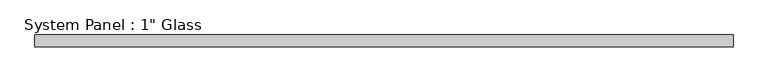
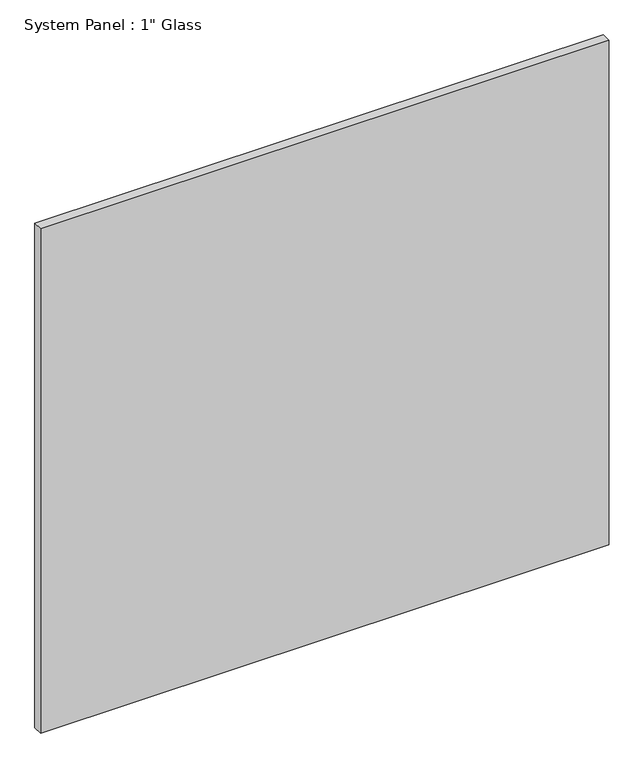
"""IFC4 building model written with IfcOpenShell, lengths in millimetres: plate geometry."""

from ifc_helpers import new_model, si_unit, origin, origin_with_axes, place, context, project, spatial, polyline, outline, extrude, source, transform, mapped, element, save


def plate_0de55265(model_context):
    return source(origin(), model_context, "Body", "SweptSolid", [
        extrude(outline(polyline([(742.9508852, -12.7), (-742.9508852, -12.7), (-742.9508852, 12.7), (742.9508852, 12.7), (742.9508852, -12.7)])), origin_with_axes(), (0.0, 0.0, 1.0), 1393.1917704),
    ])


if __name__ == "__main__":
    model = new_model("IFC4")
    model_context = context("Model", 3, world=origin())
    ifc_project = project(units=[si_unit("LENGTHUNIT", "METRE", prefix="MILLI")], contexts=[model_context])
    site = spatial("IfcSite", under=ifc_project)
    building = spatial("IfcBuilding", under=site)
    placement = place(None, origin())
    plate_shape = plate_0de55265(model_context)
    element("IfcPlate", 1, ObjectType="System Panel : 1\" Glass", at=placement, inside=building, context=model_context, shape_type="MappedRepresentation", body=[
        mapped(plate_shape, transform((0.0, 0.0, 0.0), x_axis=(1.0, 0.0, 0.0), y_axis=(0.0, 1.0, 0.0), z_axis=(0.0, 0.0, 1.0))),
    ])
    save(model, "model.ifc")
